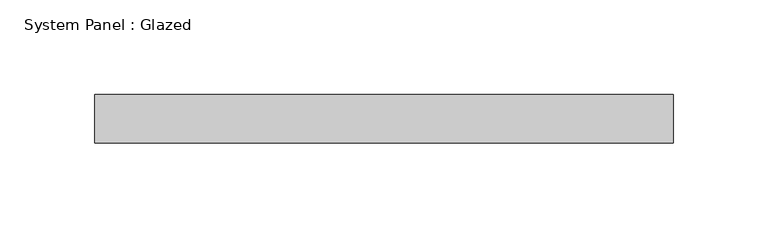
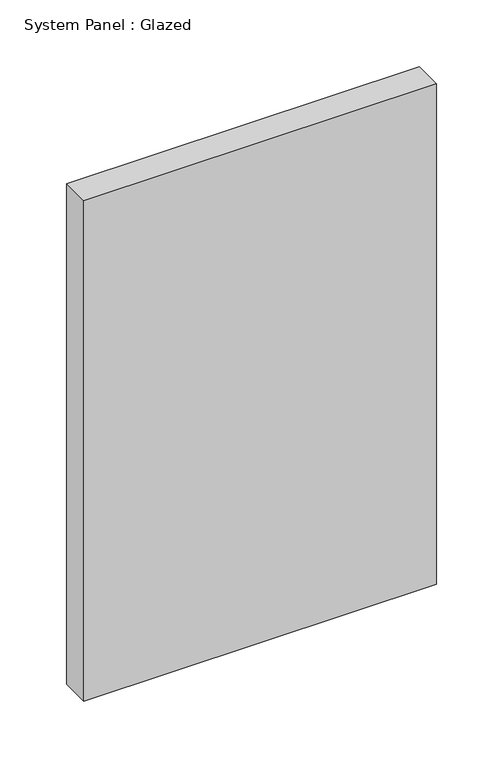
"""IFC4 building model written with IfcOpenShell, lengths in millimetres: plate geometry, System Panel : Glazed."""

from ifc_helpers import new_model, si_unit, origin, origin_with_axes, place, context, project, spatial, polyline, outline, extrude, source, transform, mapped, element, save


def system_panel_glazed_e8237f1c(model_context):
    return source(origin(), model_context, "Body", "SweptSolid", [
        extrude(outline(polyline([(152.4, 19.05), (-152.4, 19.05), (-152.4, 44.45), (152.4, 44.45), (152.4, 19.05)])), origin_with_axes(), (0.0, 0.0, 1.0), 457.2),
    ])


if __name__ == "__main__":
    model = new_model("IFC4")
    model_context = context("Model", 3, world=origin())
    ifc_project = project(units=[si_unit("LENGTHUNIT", "METRE", prefix="MILLI")], contexts=[model_context])
    site = spatial("IfcSite", under=ifc_project)
    building = spatial("IfcBuilding", under=site)
    placement = place(None, origin())
    system_panel_glazed_shape = system_panel_glazed_e8237f1c(model_context)
    element("IfcPlate", 1, ObjectType="System Panel : Glazed", at=placement, inside=building, context=model_context, shape_type="MappedRepresentation", body=[
        mapped(system_panel_glazed_shape, transform((0.0, 0.0, 0.0), x_axis=(1.0, 0.0, 0.0), y_axis=(0.0, 1.0, 0.0), z_axis=(0.0, 0.0, 1.0))),
    ])
    save(model, "model.ifc")
